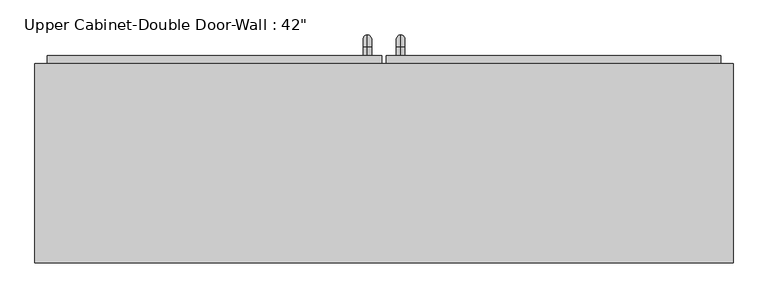
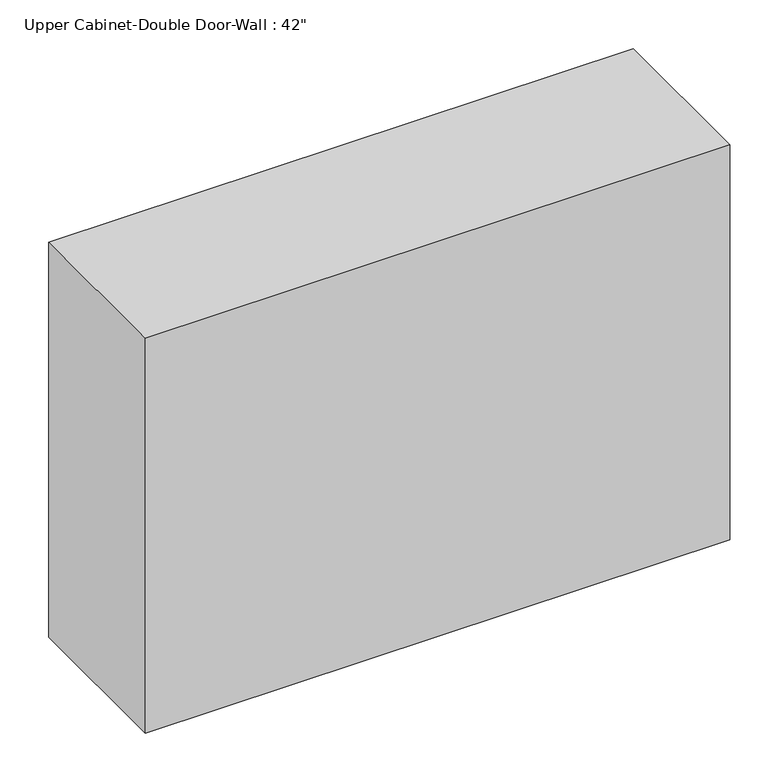
"""IFC4 building model written with IfcOpenShell, lengths in millimetres: furniture geometry."""

from ifc_helpers import new_model, si_unit, point, frame, origin, place, context, project, spatial, polyline, circle_curve, ellipse_curve, trimmed, outline, extrude, faceted_brep, source, transform, mapped, element, save
from ifc_brep_helpers import plane_surface, cylinder_surface, revolved_surface, advanced_brep


def furniture_3a5166f9(model_context):
    return source(origin(), model_context, "Body", "SolidModel", [
        faceted_brep([(-503.6288372, 104.775, 2133.6), (-503.6288372, 104.775, 1371.6), (563.1711628, 104.775, 1371.6), (563.1711628, 104.775, 2133.6), (-503.6288372, 409.575, 2133.6), (563.1711628, 409.575, 2133.6), (563.1711628, 409.575, 1371.6), (-503.6288372, 409.575, 1371.6), (-484.5788372, 409.575, 2114.55), (-484.5788372, 409.575, 1390.65), (544.1211628, 409.575, 1390.65), (544.1211628, 409.575, 2114.55), (544.1211628, 123.825, 2114.55), (-484.5788372, 123.825, 2114.55), (544.1211628, 123.825, 1390.65), (-484.5788372, 123.825, 1390.65)], [[[0, 1, 2, 3]], [[4, 5, 6, 7], [8, 9, 10, 11]], [[1, 0, 4, 7]], [[2, 1, 7, 6]], [[3, 2, 6, 5]], [[0, 3, 5, 4]], [[8, 11, 12, 13]], [[11, 10, 14, 12]], [[10, 9, 15, 14]], [[9, 8, 13, 15]], [[13, 12, 14, 15]]]),
        advanced_brep(
        [(55.1711628, 422.275, 1517.65), (55.1711628, 422.275, 1530.35), (55.1711628, 434.975, 1517.65), (55.1711628, 434.975, 1530.35), (55.1711628, 454.025, 1511.3), (55.1711628, 441.325, 1511.3), (55.1711628, 441.325, 1435.1), (55.1711628, 454.025, 1435.1), (55.1711628, 434.975, 1416.05), (55.1711628, 434.975, 1428.75), (55.1711628, 422.275, 1428.75), (55.1711628, 422.275, 1416.05)],
        [
            (0, 1, circle_curve(frame((55.1711628, 422.275, 1524.0), z_axis=(0.0, -1.0, 0.0), x_axis=(0.0, 0.0, -1.0)), 6.35)),
            (1, 0, circle_curve(frame((55.1711628, 422.275, 1524.0), z_axis=(0.0, -1.0, 0.0), x_axis=(0.0, 0.0, -1.0)), 6.35)),
            (0, 2),
            (2, 3, circle_curve(frame((55.1711628, 434.975, 1524.0), z_axis=(0.0, -1.0, 0.0), x_axis=(0.0, 0.0, -1.0)), 6.35)),
            (3, 1),
            (3, 2, circle_curve(frame((55.1711628, 434.975, 1524.0), z_axis=(0.0, -1.0, 0.0), x_axis=(0.0, 0.0, -1.0)), 6.35)),
            (4, 3, circle_curve(frame((55.1711628, 434.975, 1511.3), z_axis=(1.0, 0.0, 0.0), x_axis=(0.0, 0.0, 1.0)), 19.05)),
            (2, 5, circle_curve(frame((55.1711628, 434.975, 1511.3), z_axis=(-1.0, 0.0, 0.0), x_axis=(0.0, 0.0, 1.0)), 6.35)),
            (5, 4, circle_curve(frame((55.1711628, 447.675, 1511.3), z_axis=(0.0, 0.0, 1.0), x_axis=(0.0, -1.0, 0.0)), 6.35)),
            (4, 5, circle_curve(frame((55.1711628, 447.675, 1511.3), z_axis=(0.0, 0.0, 1.0), x_axis=(0.0, -1.0, 0.0)), 6.35)),
            (5, 6),
            (6, 7, circle_curve(frame((55.1711628, 447.675, 1435.1), z_axis=(0.0, 0.0, 1.0), x_axis=(0.0, -1.0, 0.0)), 6.35)),
            (7, 4),
            (7, 6, circle_curve(frame((55.1711628, 447.675, 1435.1), z_axis=(0.0, 0.0, 1.0), x_axis=(0.0, -1.0, 0.0)), 6.35)),
            (8, 7, circle_curve(frame((55.1711628, 434.975, 1435.1), z_axis=(1.0, 0.0, 0.0), x_axis=(0.0, 1.0, 0.0)), 19.05)),
            (6, 9, circle_curve(frame((55.1711628, 434.975, 1435.1), z_axis=(-1.0, 0.0, 0.0), x_axis=(0.0, 1.0, 0.0)), 6.35)),
            (9, 8, circle_curve(frame((55.1711628, 434.975, 1422.4), z_axis=(0.0, 1.0, 0.0), x_axis=(0.0, 0.0, 1.0)), 6.35)),
            (8, 9, circle_curve(frame((55.1711628, 434.975, 1422.4), z_axis=(0.0, 1.0, 0.0), x_axis=(0.0, 0.0, 1.0)), 6.35)),
            (10, 11, circle_curve(frame((55.1711628, 422.275, 1422.4), z_axis=(0.0, -1.0, 0.0), x_axis=(0.0, 0.0, 1.0)), 6.35)),
            (11, 10, circle_curve(frame((55.1711628, 422.275, 1422.4), z_axis=(0.0, -1.0, 0.0), x_axis=(0.0, 0.0, 1.0)), 6.35)),
            (9, 10),
            (11, 8),
        ],
        [
            plane_surface(frame((48.8211628, 422.275, 1524.0), z_axis=(0.0, -1.0, 0.0), x_axis=(0.0, 0.0, 1.0))),
            cylinder_surface(frame((55.1711628, 422.275, 1524.0), z_axis=(0.0, -1.0, 0.0), x_axis=(0.0, 0.0, -1.0)), 6.35),
            revolved_surface(trimmed(ellipse_curve(frame((55.1711628, 434.975, 1524.0), z_axis=(0.0, -1.0, 0.0), x_axis=(0.0, 0.0, -1.0)), 6.35, 6.35), [point((55.1711628, 434.975, 1517.65))], [point((55.1711628, 434.975, 1530.35))], True, "CARTESIAN"), (55.1711628, 434.975, 1511.3), (-1.0, 0.0, 0.0)),
            revolved_surface(trimmed(ellipse_curve(frame((55.1711628, 434.975, 1524.0), z_axis=(0.0, -1.0, 0.0), x_axis=(0.0, 0.0, -1.0)), 6.35, 6.35), [point((55.1711628, 434.975, 1530.35))], [point((55.1711628, 434.975, 1517.65))], True, "CARTESIAN"), (55.1711628, 434.975, 1511.3), (-1.0, 0.0, 0.0)),
            cylinder_surface(frame((55.1711628, 447.675, 1511.3), z_axis=(0.0, 0.0, 1.0), x_axis=(0.0, -1.0, 0.0)), 6.35),
            revolved_surface(trimmed(ellipse_curve(frame((55.1711628, 447.675, 1435.1), z_axis=(0.0, 0.0, 1.0), x_axis=(0.0, -1.0, 0.0)), 6.35, 6.35), [point((55.1711628, 441.325, 1435.1))], [point((55.1711628, 454.025, 1435.1))], True, "CARTESIAN"), (55.1711628, 434.975, 1435.1), (-1.0, 0.0, 0.0)),
            revolved_surface(trimmed(ellipse_curve(frame((55.1711628, 447.675, 1435.1), z_axis=(0.0, 0.0, 1.0), x_axis=(0.0, -1.0, 0.0)), 6.35, 6.35), [point((55.1711628, 454.025, 1435.1))], [point((55.1711628, 441.325, 1435.1))], True, "CARTESIAN"), (55.1711628, 434.975, 1435.1), (-1.0, 0.0, 0.0)),
            plane_surface(frame((48.8211628, 422.275, 1422.4), z_axis=(0.0, -1.0, 0.0), x_axis=(0.0, 0.0, -1.0))),
            cylinder_surface(frame((55.1711628, 434.975, 1422.4), z_axis=(0.0, 1.0, 0.0), x_axis=(0.0, 0.0, 1.0)), 6.35),
        ],
        [
            (0, [[1, 2]]),
            (1, [[-1, 3, 4, 5]]),
            (1, [[-2, -5, 6, -3]]),
            (2, [[7, -4, 8, 9]]),
            (3, [[-8, -6, -7, 10]]),
            (4, [[-9, 11, 12, 13]]),
            (4, [[-10, -13, 14, -11]]),
            (5, [[15, -12, 16, 17]]),
            (6, [[-16, -14, -15, 18]]),
            (7, [[19, 20]]),
            (8, [[-17, 21, -20, 22]]),
            (8, [[-18, -22, -19, -21]]),
        ],
    ),
        advanced_brep(
        [(4.3711628, 422.275, 1517.65), (4.3711628, 422.275, 1530.35), (4.3711628, 434.975, 1517.65), (4.3711628, 434.975, 1530.35), (4.3711628, 454.025, 1511.3), (4.3711628, 441.325, 1511.3), (4.3711628, 441.325, 1435.1), (4.3711628, 454.025, 1435.1), (4.3711628, 434.975, 1416.05), (4.3711628, 434.975, 1428.75), (4.3711628, 422.275, 1428.75), (4.3711628, 422.275, 1416.05)],
        [
            (0, 1, circle_curve(frame((4.3711628, 422.275, 1524.0), z_axis=(0.0, -1.0, 0.0), x_axis=(0.0, 0.0, 1.0)), 6.35)),
            (1, 0, circle_curve(frame((4.3711628, 422.275, 1524.0), z_axis=(0.0, -1.0, 0.0), x_axis=(0.0, 0.0, 1.0)), 6.35)),
            (0, 2),
            (2, 3, circle_curve(frame((4.3711628, 434.975, 1524.0), z_axis=(0.0, -1.0, 0.0), x_axis=(0.0, 0.0, 1.0)), 6.35)),
            (3, 1),
            (3, 2, circle_curve(frame((4.3711628, 434.975, 1524.0), z_axis=(0.0, -1.0, 0.0), x_axis=(0.0, 0.0, 1.0)), 6.35)),
            (4, 3, circle_curve(frame((4.3711628, 434.975, 1511.3), z_axis=(1.0, 0.0, 0.0), x_axis=(0.0, 0.0, 1.0)), 19.05)),
            (2, 5, circle_curve(frame((4.3711628, 434.975, 1511.3), z_axis=(-1.0, 0.0, 0.0), x_axis=(0.0, 0.0, 1.0)), 6.35)),
            (5, 4, circle_curve(frame((4.3711628, 447.675, 1511.3), z_axis=(0.0, 0.0, 1.0), x_axis=(0.0, 1.0, 0.0)), 6.35)),
            (4, 5, circle_curve(frame((4.3711628, 447.675, 1511.3), z_axis=(0.0, 0.0, 1.0), x_axis=(0.0, 1.0, 0.0)), 6.35)),
            (5, 6),
            (6, 7, circle_curve(frame((4.3711628, 447.675, 1435.1), z_axis=(0.0, 0.0, 1.0), x_axis=(0.0, 1.0, 0.0)), 6.35)),
            (7, 4),
            (7, 6, circle_curve(frame((4.3711628, 447.675, 1435.1), z_axis=(0.0, 0.0, 1.0), x_axis=(0.0, 1.0, 0.0)), 6.35)),
            (8, 7, circle_curve(frame((4.3711628, 434.975, 1435.1), z_axis=(1.0, 0.0, 0.0), x_axis=(0.0, 1.0, 0.0)), 19.05)),
            (6, 9, circle_curve(frame((4.3711628, 434.975, 1435.1), z_axis=(-1.0, 0.0, 0.0), x_axis=(0.0, 1.0, 0.0)), 6.35)),
            (9, 8, circle_curve(frame((4.3711628, 434.975, 1422.4), z_axis=(0.0, 1.0, 0.0), x_axis=(0.0, 0.0, -1.0)), 6.35)),
            (8, 9, circle_curve(frame((4.3711628, 434.975, 1422.4), z_axis=(0.0, 1.0, 0.0), x_axis=(0.0, 0.0, -1.0)), 6.35)),
            (10, 11, circle_curve(frame((4.3711628, 422.275, 1422.4), z_axis=(0.0, -1.0, 0.0), x_axis=(0.0, 0.0, -1.0)), 6.35)),
            (11, 10, circle_curve(frame((4.3711628, 422.275, 1422.4), z_axis=(0.0, -1.0, 0.0), x_axis=(0.0, 0.0, -1.0)), 6.35)),
            (9, 10),
            (11, 8),
        ],
        [
            plane_surface(frame((-1.9788372, 422.275, 1524.0), z_axis=(0.0, -1.0, 0.0), x_axis=(0.0, 0.0, 1.0))),
            cylinder_surface(frame((4.3711628, 422.275, 1524.0), z_axis=(0.0, -1.0, 0.0), x_axis=(0.0, 0.0, 1.0)), 6.35),
            revolved_surface(trimmed(ellipse_curve(frame((4.3711628, 434.975, 1524.0), z_axis=(0.0, -1.0, 0.0), x_axis=(0.0, 0.0, 1.0)), 6.35, 6.35), [point((4.3711628, 434.975, 1517.65))], [point((4.3711628, 434.975, 1530.35))], True, "CARTESIAN"), (4.3711628, 434.975, 1511.3), (-1.0, 0.0, 0.0)),
            revolved_surface(trimmed(ellipse_curve(frame((4.3711628, 434.975, 1524.0), z_axis=(0.0, -1.0, 0.0), x_axis=(0.0, 0.0, 1.0)), 6.35, 6.35), [point((4.3711628, 434.975, 1530.35))], [point((4.3711628, 434.975, 1517.65))], True, "CARTESIAN"), (4.3711628, 434.975, 1511.3), (-1.0, 0.0, 0.0)),
            cylinder_surface(frame((4.3711628, 447.675, 1511.3), z_axis=(0.0, 0.0, 1.0), x_axis=(0.0, 1.0, 0.0)), 6.35),
            revolved_surface(trimmed(ellipse_curve(frame((4.3711628, 447.675, 1435.1), z_axis=(0.0, 0.0, 1.0), x_axis=(0.0, 1.0, 0.0)), 6.35, 6.35), [point((4.3711628, 441.325, 1435.1))], [point((4.3711628, 454.025, 1435.1))], True, "CARTESIAN"), (4.3711628, 434.975, 1435.1), (-1.0, 0.0, 0.0)),
            revolved_surface(trimmed(ellipse_curve(frame((4.3711628, 447.675, 1435.1), z_axis=(0.0, 0.0, 1.0), x_axis=(0.0, 1.0, 0.0)), 6.35, 6.35), [point((4.3711628, 454.025, 1435.1))], [point((4.3711628, 441.325, 1435.1))], True, "CARTESIAN"), (4.3711628, 434.975, 1435.1), (-1.0, 0.0, 0.0)),
            plane_surface(frame((-1.9788372, 422.275, 1422.4), z_axis=(0.0, -1.0, 0.0), x_axis=(0.0, 0.0, -1.0))),
            cylinder_surface(frame((4.3711628, 434.975, 1422.4), z_axis=(0.0, 1.0, 0.0), x_axis=(0.0, 0.0, -1.0)), 6.35),
        ],
        [
            (0, [[1, 2]]),
            (1, [[-1, 3, 4, 5]]),
            (1, [[-2, -5, 6, -3]]),
            (2, [[7, -4, 8, 9]]),
            (3, [[-8, -6, -7, 10]]),
            (4, [[-9, 11, 12, 13]]),
            (4, [[-10, -13, 14, -11]]),
            (5, [[15, -12, 16, 17]]),
            (6, [[-16, -14, -15, 18]]),
            (7, [[19, 20]]),
            (8, [[-17, 21, -20, 22]]),
            (8, [[-18, -22, -19, -21]]),
        ],
    ),
        extrude(outline(polyline([(32.9461628, 422.275), (544.1211628, 422.275), (544.1211628, 390.525), (32.9461628, 390.525), (32.9461628, 422.275)])), frame((0.0, 0.0, 1390.65), z_axis=(0.0, 0.0, 1.0), x_axis=(1.0, 0.0, 0.0)), (0.0, 0.0, 1.0), 723.9),
        extrude(outline(polyline([(-484.5788372, 422.275), (26.5961628, 422.275), (26.5961628, 390.525), (-484.5788372, 390.525), (-484.5788372, 422.275)])), frame((0.0, 0.0, 1390.65), z_axis=(0.0, 0.0, 1.0), x_axis=(1.0, 0.0, 0.0)), (0.0, 0.0, 1.0), 723.9),
    ])


if __name__ == "__main__":
    model = new_model("IFC4")
    model_context = context("Model", 3, world=origin())
    ifc_project = project(units=[si_unit("LENGTHUNIT", "METRE", prefix="MILLI")], contexts=[model_context])
    site = spatial("IfcSite", under=ifc_project)
    building = spatial("IfcBuilding", under=site)
    placement = place(None, origin())
    furniture_shape = furniture_3a5166f9(model_context)
    element("IfcFurniture", 1, ObjectType="Upper Cabinet-Double Door-Wall : 42\"", at=placement, inside=building, context=model_context, shape_type="MappedRepresentation", body=[
        mapped(furniture_shape, transform((0.0, 0.0, 0.0), x_axis=(1.0, 0.0, 0.0), y_axis=(0.0, 1.0, 0.0), z_axis=(0.0, 0.0, 1.0))),
    ])
    save(model, "model.ifc")
